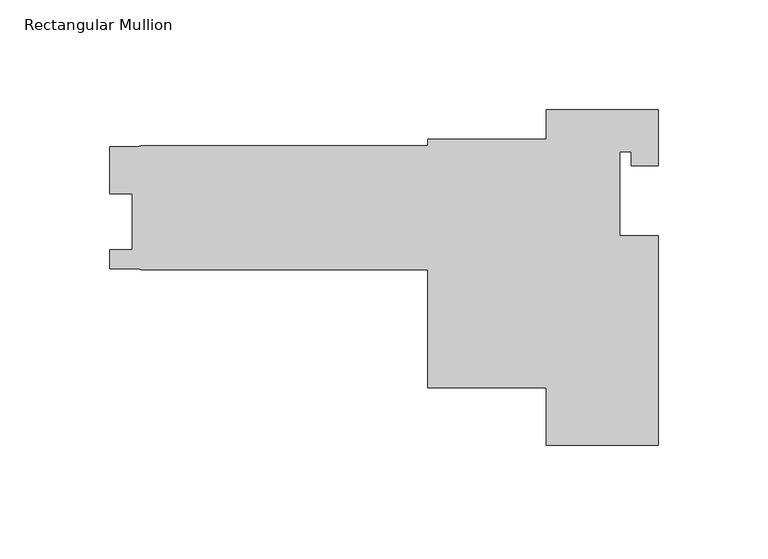
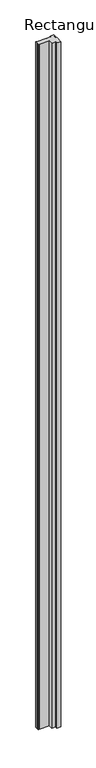
"""IFC4 building model written with IfcOpenShell, lengths in millimetres: member geometry, Rectangular Mullion."""

from ifc_helpers import new_model, si_unit, frame, origin, place, context, project, spatial, polyline, outline, extrude, source, transform, mapped, element, save


def rectangular_mullion_4ca5c102(model_context):
    return source(origin(), model_context, "Body", "SweptSolid", [
        extrude(outline(polyline([(50.8, 0.0), (50.8, -25.4), (38.608, -25.4), (38.608, -19.05), (33.3502, -19.05), (33.3502, -57.1500019), (50.8, -57.1500019), (50.8, -152.4), (0.0, -152.4), (0.0, -126.3904), (-53.975, -126.3904), (-53.975, -72.6694), (-184.15, -72.6694), (-185.5730789, -72.1514416), (-198.4375, -72.20585), (-198.4375, -63.46825), (-188.3918, -63.46825), (-188.3918, -38.06825), (-198.4247998, -38.06825), (-198.4247998, -16.6369999), (-185.9837286, -16.6369999), (-184.15, -16.1798), (-53.975, -16.1798), (-53.975, -13.3096), (0.0, -13.3096), (0.0, 0.0), (50.8, 0.0)])), frame((0.0, 0.0, -9458.1040371), z_axis=(0.0, 0.0, 1.0), x_axis=(1.0, 0.0, 0.0)), (0.0, 0.0, 1.0), 9458.1040371),
    ])


if __name__ == "__main__":
    model = new_model("IFC4")
    model_context = context("Model", 3, world=origin())
    ifc_project = project(units=[si_unit("LENGTHUNIT", "METRE", prefix="MILLI")], contexts=[model_context])
    site = spatial("IfcSite", under=ifc_project)
    building = spatial("IfcBuilding", under=site)
    placement = place(None, origin())
    rectangular_mullion_shape = rectangular_mullion_4ca5c102(model_context)
    element("IfcMember", 1, ObjectType="Rectangular Mullion", at=placement, inside=building, context=model_context, shape_type="MappedRepresentation", body=[
        mapped(rectangular_mullion_shape, transform((0.0, 0.0, 0.0), x_axis=(1.0, 0.0, 0.0), y_axis=(0.0, 1.0, 0.0), z_axis=(0.0, 0.0, 1.0))),
    ])
    save(model, "model.ifc")
